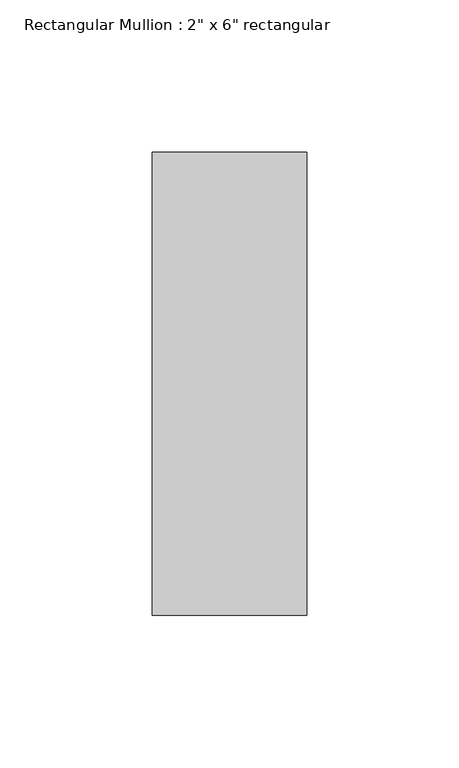
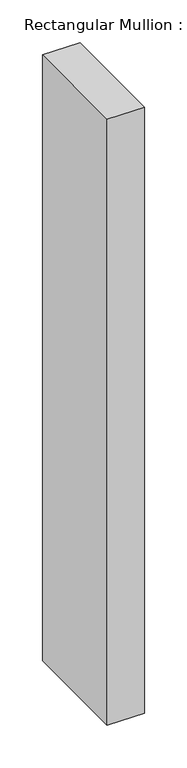
"""IFC4 building model written with IfcOpenShell, lengths in millimetres: member geometry."""

from ifc_helpers import new_model, si_unit, frame, origin, place, context, project, spatial, polyline, outline, extrude, source, transform, mapped, element, save


def member_7f1e62ee(model_context):
    return source(origin(), model_context, "Body", "SweptSolid", [
        extrude(outline(polyline([(25.4, 76.2), (25.4, -76.2), (-25.4, -76.2), (-25.4, 76.2), (25.4, 76.2)])), frame((0.0, 0.0, -869.1169222), z_axis=(0.0, 0.0, 1.0), x_axis=(1.0, 0.0, 0.0)), (0.0, 0.0, 1.0), 869.1169222),
    ])


if __name__ == "__main__":
    model = new_model("IFC4")
    model_context = context("Model", 3, world=origin())
    ifc_project = project(units=[si_unit("LENGTHUNIT", "METRE", prefix="MILLI")], contexts=[model_context])
    site = spatial("IfcSite", under=ifc_project)
    building = spatial("IfcBuilding", under=site)
    placement = place(None, origin())
    member_shape = member_7f1e62ee(model_context)
    element("IfcMember", 1, ObjectType="Rectangular Mullion : 2\" x 6\" rectangular", at=placement, inside=building, context=model_context, shape_type="MappedRepresentation", body=[
        mapped(member_shape, transform((0.0, 0.0, 0.0), x_axis=(1.0, 0.0, 0.0), y_axis=(0.0, 1.0, 0.0), z_axis=(0.0, 0.0, 1.0))),
    ])
    save(model, "model.ifc")
